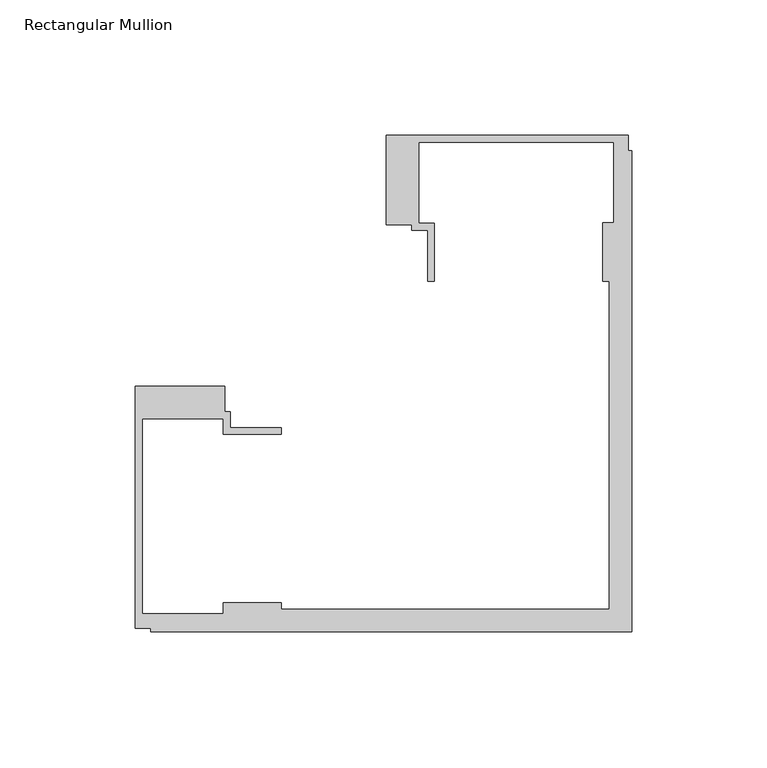
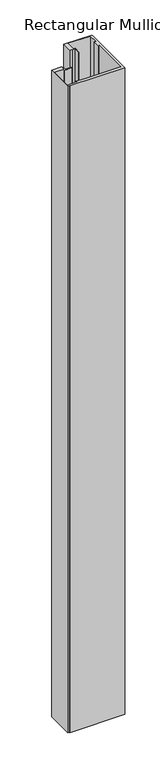
"""IFC4 building model written with IfcOpenShell, lengths in millimetres: member geometry, Rectangular Mullion."""

from ifc_helpers import new_model, si_unit, frame, origin, place, context, project, spatial, polyline, outline, extrude, source, transform, mapped, element, save


def rectangular_mullion_10a2579f(model_context):
    return source(origin(), model_context, "Body", "SweptSolid", [
        extrude(outline(polyline([(-150.4039146, -14.9961656), (-150.4039146, -24.4862839), (-148.4039146, -24.4862839), (-148.4039146, -30.2961656), (-129.4039146, -30.2961656), (-129.4039146, -32.7961656), (-150.9039146, -32.7961656), (-150.9039146, -26.9961656), (-180.9039146, -26.9961656), (-180.9039146, -98.9961656), (-150.9039146, -98.9961656), (-150.9039146, -94.9961656), (-129.4039146, -94.9961656), (-129.4039146, -97.4961656), (-8.2039451, -97.4961656), (-8.2039451, 23.7038038), (-10.7039451, 23.7038038), (-10.7039451, 45.308114), (-6.7039451, 45.308114), (-6.7039451, 75.2038038), (-78.7039451, 75.2038038), (-78.7039451, 45.2038038), (-72.9039451, 45.2038038), (-72.9039451, 23.7038038), (-75.4039451, 23.7038038), (-75.4039451, 42.7038038), (-81.2039451, 42.7038038), (-81.2039451, 44.7038038), (-90.7039451, 44.7038038), (-90.7039451, 77.7038038), (-1.2039451, 77.7038038), (-1.2039451, 71.9884533), (0.0, 71.9884533), (0.0, -105.7001107), (-177.7039408, -105.7001107), (-177.7039408, -104.4961656), (-183.4039146, -104.4961656), (-183.4039146, -14.9961656), (-150.4039146, -14.9961656)])), frame((0.0, 0.0, -2200.0), z_axis=(0.0, 0.0, 1.0), x_axis=(1.0, 0.0, 0.0)), (0.0, 0.0, 1.0), 2200.0),
    ])


if __name__ == "__main__":
    model = new_model("IFC4")
    model_context = context("Model", 3, world=origin())
    ifc_project = project(units=[si_unit("LENGTHUNIT", "METRE", prefix="MILLI")], contexts=[model_context])
    site = spatial("IfcSite", under=ifc_project)
    building = spatial("IfcBuilding", under=site)
    placement = place(None, origin())
    rectangular_mullion_shape = rectangular_mullion_10a2579f(model_context)
    element("IfcMember", 1, ObjectType="Rectangular Mullion", at=placement, inside=building, context=model_context, shape_type="MappedRepresentation", body=[
        mapped(rectangular_mullion_shape, transform((0.0, 0.0, 0.0), x_axis=(1.0, 0.0, 0.0), y_axis=(0.0, 1.0, 0.0), z_axis=(0.0, 0.0, 1.0))),
    ])
    save(model, "model.ifc")
